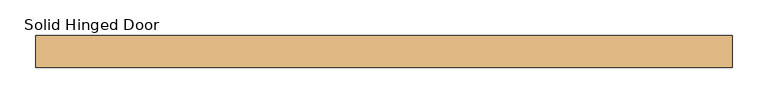
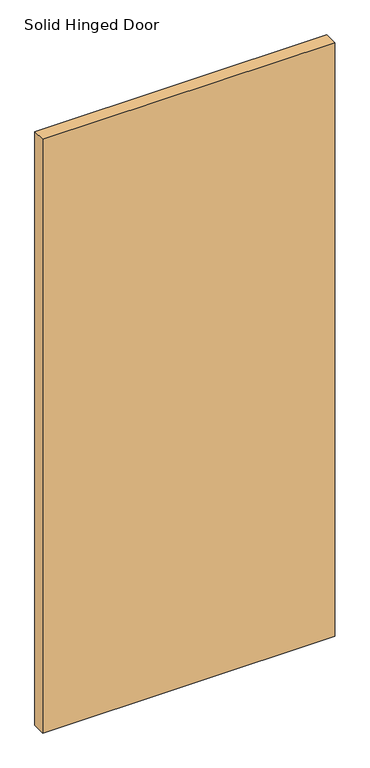
"""IFC4 building model written with IfcOpenShell, lengths in millimetres: door geometry, Solid Hinged Door."""

from ifc_helpers import new_model, si_unit, frame, origin, place, context, project, spatial, polyline, outline, extrude, source, transform, mapped, element, save


def solid_hinged_door_e91b1756(model_context):
    return source(origin(), model_context, "Body", "SweptSolid", [
        extrude(outline(polyline([(484.1064326, 22.225), (484.1064326, -22.225), (-484.1064326, -22.225), (-484.1064326, 22.225), (484.1064326, 22.225)])), frame((0.0, 0.0, 12.7), z_axis=(0.0, 0.0, 1.0), x_axis=(1.0, 0.0, 0.0)), (0.0, 0.0, 1.0), 2081.2635027),
    ])


if __name__ == "__main__":
    model = new_model("IFC4")
    model_context = context("Model", 3, world=origin())
    ifc_project = project(units=[si_unit("LENGTHUNIT", "METRE", prefix="MILLI")], contexts=[model_context])
    site = spatial("IfcSite", under=ifc_project)
    building = spatial("IfcBuilding", under=site)
    placement = place(None, origin())
    solid_hinged_door_shape = solid_hinged_door_e91b1756(model_context)
    element("IfcDoor", 1, ObjectType="Solid Hinged Door", at=placement, inside=building, context=model_context, shape_type="MappedRepresentation", body=[
        mapped(solid_hinged_door_shape, transform((0.0, 0.0, 0.0), x_axis=(1.0, 0.0, 0.0), y_axis=(0.0, 1.0, 0.0), z_axis=(0.0, 0.0, 1.0))),
    ])
    save(model, "model.ifc")
